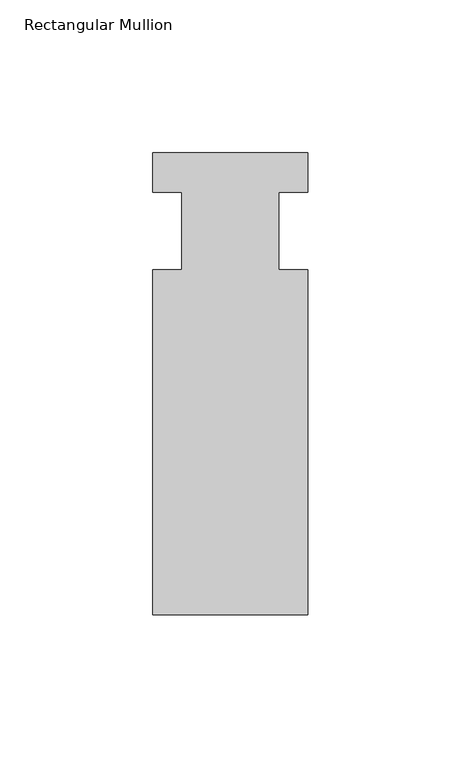
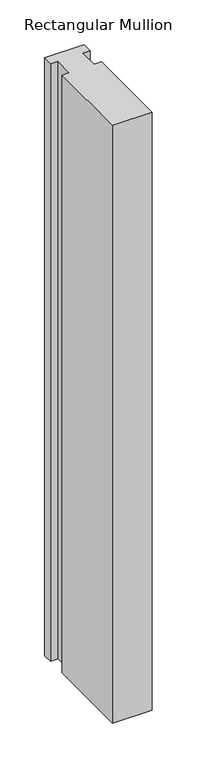
"""IFC4 building model written with IfcOpenShell, lengths in millimetres: member geometry, Rectangular Mullion."""

from ifc_helpers import new_model, si_unit, frame, origin, place, context, project, spatial, polyline, outline, extrude, source, transform, mapped, element, save


def rectangular_mullion_f5735b5d(model_context):
    return source(origin(), model_context, "Body", "SweptSolid", [
        extrude(outline(polyline([(-25.4, 25.5984375), (25.4, 25.5984375), (25.4, 12.7), (15.875, 12.7), (15.875, -12.7), (25.4, -12.7), (25.4, -125.6109375), (-25.4, -125.6109375), (-25.4, -12.7), (-15.875, -12.7), (-15.875, 12.7), (-25.4, 12.7), (-25.4, 25.5984375)])), frame((0.0, 0.0, -812.8), z_axis=(0.0, 0.0, 1.0), x_axis=(1.0, 0.0, 0.0)), (0.0, 0.0, 1.0), 812.8),
    ])


if __name__ == "__main__":
    model = new_model("IFC4")
    model_context = context("Model", 3, world=origin())
    ifc_project = project(units=[si_unit("LENGTHUNIT", "METRE", prefix="MILLI")], contexts=[model_context])
    site = spatial("IfcSite", under=ifc_project)
    building = spatial("IfcBuilding", under=site)
    placement = place(None, origin())
    rectangular_mullion_shape = rectangular_mullion_f5735b5d(model_context)
    element("IfcMember", 1, ObjectType="Rectangular Mullion", at=placement, inside=building, context=model_context, shape_type="MappedRepresentation", body=[
        mapped(rectangular_mullion_shape, transform((0.0, 0.0, 0.0), x_axis=(1.0, 0.0, 0.0), y_axis=(0.0, 1.0, 0.0), z_axis=(0.0, 0.0, 1.0))),
    ])
    save(model, "model.ifc")
